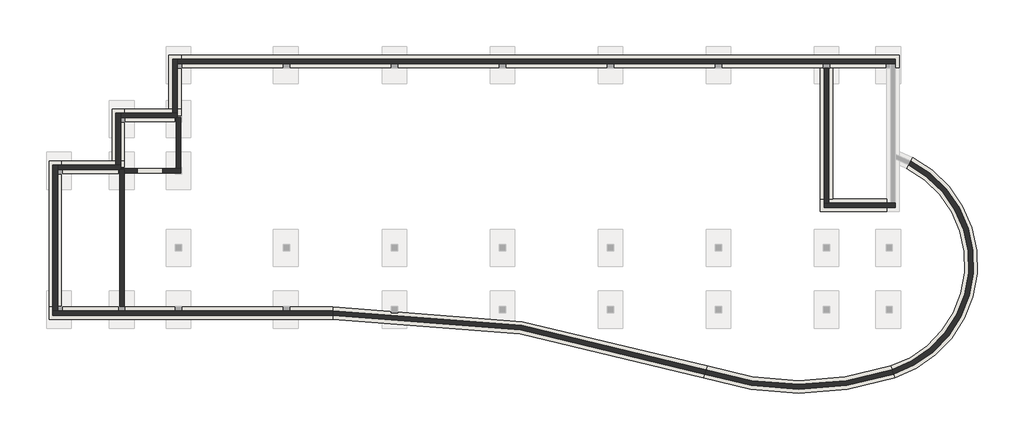
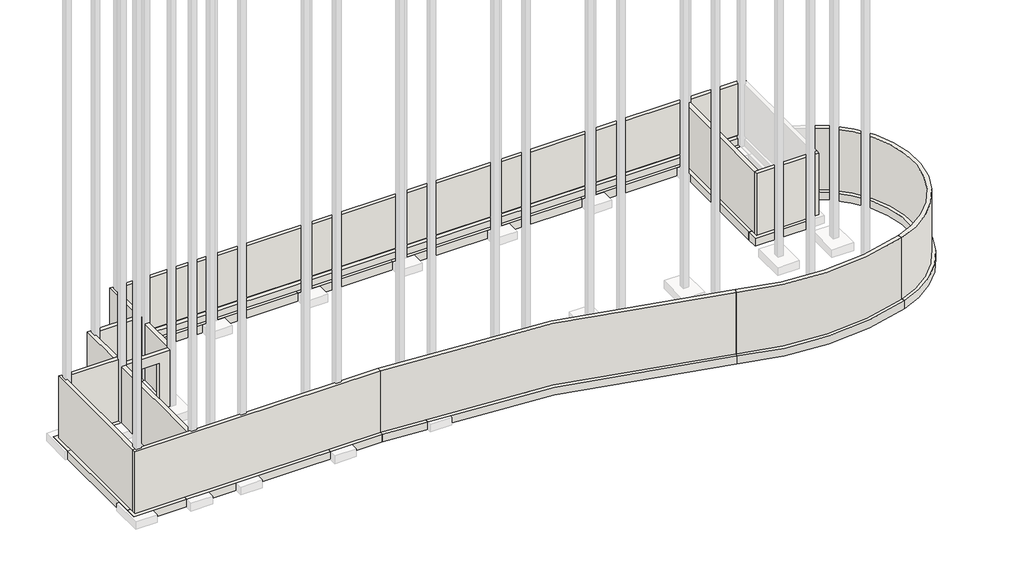
# One storey, part 1 of 2: 27 walls.
"""IFC4 building model written with IfcOpenShell, lengths in millimetres."""

import ifcopenshell
import ifcopenshell.guid

model = None  # the IFC model being written
_history = None  # IfcOwnerHistory: only IFC2X3 demands one
_inside = {}  # id of a spatial element -> (the spatial element, [elements in it])
_under = {}  # id of a project, library or spatial element -> (it, [spatial elements below it])
_declared = {}  # id of a project -> (the project, [libraries it declares])
_typed = {}  # id of a type object -> (the type object, [elements of that type])
_made_of = {}  # id of a material, layer set ... -> (it, [elements and type objects made of it])


def new_model(schema):
    """Start an empty IFC model of exactly this schema.

    Asked for "IFC4X3", IfcOpenShell would pick the latest addendum, in which some entities
    have other attributes; the version numbers below select the first issue.
    IFC2X3 requires an IfcOwnerHistory on every rooted entity: one is made here for all.
    """
    global model, _history
    if schema == "IFC4X3":
        model = ifcopenshell.file(schema_version=(4, 3, 0, 0))
    else:
        model = ifcopenshell.file(schema=schema)
    _inside.clear()
    _under.clear()
    _declared.clear()
    _typed.clear()
    _made_of.clear()
    _history = None
    if model.schema == "IFC2X3":
        org = make("IfcOrganization", Name="unknown")
        user = make(
            "IfcPersonAndOrganization",
            ThePerson=make("IfcPerson", FamilyName="unknown"),
            TheOrganization=org,
        )
        app = make(
            "IfcApplication",
            ApplicationDeveloper=org,
            Version="unknown",
            ApplicationFullName="unknown",
            ApplicationIdentifier="unknown",
        )
        _history = make(
            "IfcOwnerHistory",
            OwningUser=user,
            OwningApplication=app,
            ChangeAction="ADDED",
            CreationDate=0,
        )
    return model


def make(cls, **values):
    """One entity of the class cls with the attributes given. An attribute that is None is left unset."""
    return model.create_entity(
        cls, **{name: value for name, value in values.items() if value is not None}
    )


def rooted(cls, **values):
    """An entity with a GlobalId (a new one), such as an element, a storey or a relation."""
    return make(cls, GlobalId=ifcopenshell.guid.new(), OwnerHistory=_history, **values)


def si_unit(unit_type, name, prefix=None):
    """IfcSIUnit, for example si_unit("LENGTHUNIT", "METRE", prefix="MILLI")."""
    return make("IfcSIUnit", UnitType=unit_type, Prefix=prefix, Name=name)


def assignment(units):
    """IfcUnitAssignment: the units of a project."""
    return None if units is None else make("IfcUnitAssignment", Units=units)


def point(xyz):
    """IfcCartesianPoint."""
    return None if xyz is None else make("IfcCartesianPoint", Coordinates=xyz)


def direction(xyz):
    """IfcDirection."""
    return None if xyz is None else make("IfcDirection", DirectionRatios=xyz)


def frame(location, z_axis=None, x_axis=None):
    """IfcAxis2Placement3D, a coordinate frame: its origin and axes. An axis left out is left unset."""
    return make(
        "IfcAxis2Placement3D",
        Location=point(location),
        Axis=direction(z_axis),
        RefDirection=direction(x_axis),
    )


def frame_2d(location, x_axis=None):
    """IfcAxis2Placement2D, a coordinate frame in the plane: its origin and x axis."""
    return make(
        "IfcAxis2Placement2D", Location=point(location), RefDirection=direction(x_axis)
    )


def origin():
    """The frame at (0, 0, 0) with its axes left unset."""
    return frame((0.0, 0.0, 0.0))


def place(relative_to, where):
    """IfcLocalPlacement: puts the frame where relative to a parent placement (None: the world)."""
    return make(
        "IfcLocalPlacement", PlacementRelTo=relative_to, RelativePlacement=where
    )


def context(
    kind, dimensions, precision=None, world=None, true_north=None, identifier=None
):
    """IfcGeometricRepresentationContext, for example the 3D "Model" context."""
    return make(
        "IfcGeometricRepresentationContext",
        ContextIdentifier=identifier,
        ContextType=kind,
        CoordinateSpaceDimension=dimensions,
        Precision=precision,
        WorldCoordinateSystem=world,
        TrueNorth=true_north,
    )


def project(units=None, contexts=None):
    """IfcProject with its units and contexts."""
    return rooted(
        "IfcProject",
        Name="project",
        RepresentationContexts=contexts,
        UnitsInContext=assignment(units),
    )


def spatial(cls, under=None, at=None, **own):
    """A site, building, storey or space (cls), placed at a placement, below another one or the project."""
    s = rooted(cls, ObjectPlacement=at, **own)
    if under is not None:
        _under.setdefault(under.id(), (under, []))[1].append(s)
    return s


def polyline(points):
    """IfcPolyline through the points."""
    return make("IfcPolyline", Points=[point(p) for p in points])


def circle_curve(where, radius):
    """IfcCircle in the frame where."""
    return make("IfcCircle", Position=where, Radius=radius)


def trimmed(basis, trim1, trim2, sense, master):
    """IfcTrimmedCurve: the piece of a basis curve between two trims."""
    return make(
        "IfcTrimmedCurve",
        BasisCurve=basis,
        Trim1=trim1,
        Trim2=trim2,
        SenseAgreement=sense,
        MasterRepresentation=master,
    )


def segment(curve, same_sense, transition):
    """IfcCompositeCurveSegment."""
    return make(
        "IfcCompositeCurveSegment",
        Transition=transition,
        SameSense=same_sense,
        ParentCurve=curve,
    )


def composite_curve(segments, self_intersect=None):
    """IfcCompositeCurve: segments joined end to end."""
    return make("IfcCompositeCurve", Segments=segments, SelfIntersect=self_intersect)


def outline(outer, holes=None, kind="AREA"):
    """IfcArbitraryClosedProfileDef: a profile drawn as a closed curve; with holes, ...WithVoids."""
    if holes is None:
        return make("IfcArbitraryClosedProfileDef", ProfileType=kind, OuterCurve=outer)
    return make(
        "IfcArbitraryProfileDefWithVoids",
        ProfileType=kind,
        OuterCurve=outer,
        InnerCurves=holes,
    )


def extrude(swept, where, along, depth):
    """IfcExtrudedAreaSolid: the profile swept, set in the frame where, extruded along a direction by depth."""
    return make(
        "IfcExtrudedAreaSolid",
        SweptArea=swept,
        Position=where,
        ExtrudedDirection=direction(along),
        Depth=depth,
    )


def faces_of(points, faces, orient=None, outer=None):
    """IfcFace entities. A face is a list of loops; a loop is a list of indices into points, from 0.

    orient and outer hold one flag for each loop. By default every Orientation is true, the
    first loop of a face is its IfcFaceOuterBound and the others are IfcFaceBound.
    """
    made = []
    for i, loops in enumerate(faces):
        bounds = []
        for j, loop in enumerate(loops):
            is_outer = j == 0 if outer is None else outer[i][j]
            bounds.append(
                make(
                    "IfcFaceOuterBound" if is_outer else "IfcFaceBound",
                    Bound=make("IfcPolyLoop", Polygon=[points[k] for k in loop]),
                    Orientation=True if orient is None else orient[i][j],
                )
            )
        made.append(make("IfcFace", Bounds=bounds))
    return made


def faceted_brep(points, faces, orient=None, outer=None, voids=None):
    """IfcFacetedBrep: a solid bounded by flat faces; with voids (closed shells), ...WithVoids."""
    shared = [point(p) for p in points]
    hull = make("IfcClosedShell", CfsFaces=faces_of(shared, faces, orient, outer))
    if voids is None:
        return make("IfcFacetedBrep", Outer=hull)
    return make(
        "IfcFacetedBrepWithVoids",
        Outer=hull,
        Voids=[
            make(cls, CfsFaces=faces_of(shared, fs, o, b)) for cls, fs, o, b in voids
        ],
    )


def shape(context_of_items, identifier, shape_type, items):
    """IfcShapeRepresentation: the items that make up one representation, for example the "Body"."""
    return make(
        "IfcShapeRepresentation",
        ContextOfItems=context_of_items,
        RepresentationIdentifier=identifier,
        RepresentationType=shape_type,
        Items=items,
    )


def made_of(thing, what):
    """Note that an element or type object is made of a material, layer set ...; save() writes the relation."""
    if what is not None:
        _made_of.setdefault(what.id(), (what, []))[1].append(thing)
    return thing


def element(
    cls,
    number,
    at=None,
    inside=None,
    cuts=None,
    type_object=None,
    material=None,
    context=None,
    identifier="Body",
    shape_type=None,
    held_by="IfcProductDefinitionShape",
    body=None,
    shapes=None,
    **own,
):
    """One element of the class cls, such as IfcWall. Its Tag is "e" and its number.

    at: its placement. inside: the storey or other place that contains it. cuts: it is an
    opening in that element (IfcRelVoidsElement). A single representation is given by context,
    identifier, shape_type and body (its items); several are given by shapes. held_by: the class
    of the entity that holds the representations. save() writes the other relations.
    """
    e = rooted(cls, Tag="e%d" % number, ObjectPlacement=at, **own)
    if body is not None:
        shapes = [shape(context, identifier, shape_type, body)]
    if shapes is not None:
        e.Representation = make(held_by, Representations=shapes)
    if inside is not None:
        _inside.setdefault(inside.id(), (inside, []))[1].append(e)
    if cuts is not None:
        rooted(
            "IfcRelVoidsElement", RelatingBuildingElement=cuts, RelatedOpeningElement=e
        )
    if type_object is not None:
        _typed.setdefault(type_object.id(), (type_object, []))[1].append(e)
    return made_of(e, material)


def aggregate(whole, parts):
    """IfcRelAggregates: a whole, such as a stair, and the parts it consists of."""
    return rooted("IfcRelAggregates", RelatingObject=whole, RelatedObjects=parts)


def save(model, path):
    """Write the relations noted so far, then the file.

    IfcRelAggregates (storeys below a building ...), IfcRelContainedInSpatialStructure (elements
    in a storey), IfcRelDefinesByType, IfcRelAssociatesMaterial and IfcRelDeclares: one each for
    every whole, place, type object, material and project.
    """
    for whole, parts in _under.values():
        aggregate(whole, parts)
    for where, things in _inside.values():
        rooted(
            "IfcRelContainedInSpatialStructure",
            RelatedElements=things,
            RelatingStructure=where,
        )
    for kind, things in _typed.values():
        rooted("IfcRelDefinesByType", RelatedObjects=things, RelatingType=kind)
    for what, things in _made_of.values():
        rooted("IfcRelAssociatesMaterial", RelatedObjects=things, RelatingMaterial=what)
    for by, libraries in _declared.values():
        rooted("IfcRelDeclares", RelatingContext=by, RelatedDefinitions=libraries)
    model.write(path)


def plane_surface(at):
    """IfcPlane: the flat surface through the origin of the frame at, square to its z axis."""
    return make("IfcPlane", Position=at)


def cylinder_surface(at, radius):
    """IfcCylindricalSurface: all points at the distance radius from the z axis of the frame at."""
    return make("IfcCylindricalSurface", Position=at, Radius=radius)


def revolved_surface(curve, axis_point, axis_direction):
    """IfcSurfaceOfRevolution: the curve turned about the line through axis_point along axis_direction."""
    return make(
        "IfcSurfaceOfRevolution",
        SweptCurve=make("IfcArbitraryOpenProfileDef", ProfileType="CURVE", Curve=curve),
        AxisPosition=make("IfcAxis1Placement", Location=point(axis_point), Axis=direction(axis_direction)),
    )


def advanced_brep(points, edges, surfaces, faces):
    """IfcAdvancedBrep: a solid bounded by faces that lie on surfaces and meet in shared edges.

    An edge is (start, end): straight between two places in points (the first is 0);
    or (start, end, curve); or (start, end, curve, False) where it runs against its curve.
    A face is (place in surfaces, loops), or (place, loops, False) where it looks against
    its surface's normal. A loop lists edges by number (the first is 1), with a minus sign
    where the edge is run from its end to its start. The first loop is the outer one.
    """
    corners = [point(p) for p in points]
    vertices = [make("IfcVertexPoint", VertexGeometry=c) for c in corners]
    made = []
    for start, end, *more in edges:
        made.append(
            make(
                "IfcEdgeCurve",
                EdgeStart=vertices[start],
                EdgeEnd=vertices[end],
                EdgeGeometry=more[0] if more else make("IfcPolyline", Points=[corners[start], corners[end]]),
                SameSense=more[1] if len(more) > 1 else True,
            )
        )
    hull = []
    for where, loops, *sense in faces:
        bounds = []
        for j, loop in enumerate(loops):
            ring = [make("IfcOrientedEdge", EdgeElement=made[abs(k) - 1], Orientation=k > 0) for k in loop]
            bounds.append(
                make(
                    "IfcFaceOuterBound" if j == 0 else "IfcFaceBound",
                    Bound=make("IfcEdgeLoop", EdgeList=ring),
                    Orientation=True,
                )
            )
        hull.append(make("IfcAdvancedFace", Bounds=bounds, FaceSurface=surfaces[where], SameSense=sense[0] if sense else True))
    return make("IfcAdvancedBrep", Outer=make("IfcClosedShell", CfsFaces=hull))


model = new_model("IFC4")

# Units and contexts
model_context = context("Model", 3, world=origin())
ifc_project = project(units=[si_unit("LENGTHUNIT", "METRE", prefix="MILLI")], contexts=[model_context])

# Site, building, storey
site = spatial("IfcSite", under=ifc_project)
building = spatial("IfcBuilding", under=site)
storey = spatial("IfcBuildingStorey", under=building, Elevation=-3600.0)

# Walls
placement = place(None, origin())
element("IfcWall", 1, ObjectType="Foundation - 600mm Concrete", at=placement, inside=storey, context=model_context, shape_type="SweptSolid", body=[
    extrude(outline(composite_curve([segment(polyline([(17869.7687161, -6013.1846096), (17683.7577718, -5442.7458938)]), True, "CONTINUOUS"), segment(trimmed(circle_curve(frame_2d((16074.0395802, -487.5293406)), 5210.1212794), [point((17683.7577718, -5442.7458938))], [point((18465.7812889, 4141.1783997))], True, "CARTESIAN"), True, "CONTINUOUS"), segment(polyline([(18465.7812889, 4141.1783997), (18741.2153811, 4674.222545)]), True, "CONTINUOUS"), segment(trimmed(circle_curve(frame_2d((16074.0395802, -487.5293406)), 5810.1212794), [point((18741.2153811, 4674.222545))], [point((17869.7687161, -6013.1846096))], False, "CARTESIAN"), True, "CONTINUOUS")], self_intersect=False)), frame((0.0, 0.0, -4050.0), z_axis=(0.0, 0.0, 1.0), x_axis=(1.0, 0.0, 0.0)), (0.0, 0.0, 1.0), 450.0),
])
element("IfcWall", 2, ObjectType="Foundation - 600mm Concrete", at=placement, inside=storey, context=model_context, shape_type="SweptSolid", body=[
    extrude(outline(composite_curve([segment(polyline([(8601.367366, -6013.0871543), (8787.9790274, -5442.8450235)]), True, "CONTINUOUS"), segment(trimmed(circle_curve(frame_2d((13235.7169466, 8148.4146527)), 14300.5144027), [point((8787.9790274, -5442.8450235))], [point((17683.7577718, -5442.7458938))], True, "CARTESIAN"), True, "CONTINUOUS"), segment(polyline([(17683.7577718, -5442.7458938), (17869.7687161, -6013.1846096)]), True, "CONTINUOUS"), segment(trimmed(circle_curve(frame_2d((13235.7169466, 8148.4146527)), 14900.5144027), [point((17869.7687161, -6013.1846096))], [point((8601.367366, -6013.0871543))], False, "CARTESIAN"), True, "CONTINUOUS")], self_intersect=False)), frame((0.0, 0.0, -4050.0), z_axis=(0.0, 0.0, 1.0), x_axis=(1.0, 0.0, 0.0)), (0.0, 0.0, 1.0), 450.0),
])
element("IfcWall", 3, ObjectType="Foundation - 600mm Concrete", at=placement, inside=storey, context=model_context, shape_type="SweptSolid", body=[
    extrude(outline(composite_curve([segment(polyline([(-9356.7482974, -3179.7925922), (-9357.3682514, -2579.7925922)]), True, "CONTINUOUS"), segment(trimmed(circle_curve(frame_2d((-9237.4655397, -60751.8621473)), 58172.193125), [point((-9357.3682514, -2579.7925922))], [point((8787.630476, -5442.7311958))], False, "CARTESIAN"), True, "CONTINUOUS"), segment(polyline([(8787.630476, -5442.7311958), (8601.7159173, -6013.200982)]), True, "CONTINUOUS"), segment(trimmed(circle_curve(frame_2d((-9237.4655397, -60751.8621473)), 57572.193125), [point((8601.7159173, -6013.200982))], [point((-9356.7482974, -3179.7925922))], True, "CARTESIAN"), True, "CONTINUOUS")], self_intersect=False)), frame((0.0, 0.0, -4050.0), z_axis=(0.0, 0.0, 1.0), x_axis=(1.0, 0.0, 0.0)), (0.0, 0.0, 1.0), 450.0),
])
element("IfcWall", 4, ObjectType="Foundation - 600mm Concrete", at=placement, inside=storey, context=model_context, shape_type="Brep", body=[
    faceted_brep([(-9357.3682514, -2579.7925922, -4050.0), (-22494.6169643, -2579.7925922, -4050.0), (-23094.6169643, -2579.7925922, -4050.0), (-23094.6169643, -2579.7925922, -3600.0), (-22494.6169643, -2579.7925922, -3600.0), (-9357.3682514, -2579.7925922, -3600.0), (-9356.7482974, -3179.7925922, -4050.0), (-9356.7482974, -3179.7925922, -3600.0), (-23094.6169643, -3179.7925922, -3600.0), (-23094.6169643, -3179.7925922, -4050.0)], [[[0, 1, 2, 3, 4, 5]], [[6, 7, 8, 9]], [[2, 1, 0, 6, 9]], [[5, 4, 3, 8, 7]], [[3, 2, 9, 8]], [[0, 5, 7, 6]]]),
])
element("IfcWall", 5, ObjectType="Foundation - 600mm Concrete", at=placement, inside=storey, context=model_context, shape_type="Brep", body=[
    faceted_brep([(-22494.6169643, -2579.7925922, -4050.0), (-22494.6169643, 3903.6324078, -4050.0), (-22494.6169643, 4503.6324078, -4050.0), (-22494.6169643, 4503.6324078, -3600.0), (-22494.6169643, 3903.6324078, -3600.0), (-22494.6169643, -2579.7925922, -3600.0), (-23094.6169643, -2579.7925922, -4050.0), (-23094.6169643, -2579.7925922, -3600.0), (-23094.6169643, 4503.6324078, -3600.0), (-23094.6169643, 4503.6324078, -4050.0)], [[[0, 1, 2, 3, 4, 5]], [[6, 7, 8, 9]], [[2, 1, 0, 6, 9]], [[5, 4, 3, 8, 7]], [[3, 2, 9, 8]], [[0, 5, 7, 6]]]),
])
element("IfcWall", 6, ObjectType="Foundation - 600mm Concrete", at=placement, inside=storey, context=model_context, shape_type="Brep", body=[
    faceted_brep([(-22494.6169643, 3903.6324078, -4050.0), (-19446.6169643, 3903.6324078, -4050.0), (-19446.6169643, 3903.6324078, -3600.0), (-22494.6169643, 3903.6324078, -3600.0), (-22494.6169643, 4503.6324078, -4050.0), (-22494.6169643, 4503.6324078, -3600.0), (-20046.6169643, 4503.6324078, -3600.0), (-19446.6169643, 4503.6324078, -3600.0), (-19446.6169643, 4503.6324078, -4050.0), (-20046.6169643, 4503.6324078, -4050.0)], [[[0, 1, 2, 3]], [[4, 5, 6, 7, 8, 9]], [[1, 0, 4, 9, 8]], [[3, 2, 7, 6, 5]], [[2, 1, 8, 7]], [[0, 3, 5, 4]]]),
])
element("IfcWall", 7, ObjectType="Foundation - 600mm Concrete", at=placement, inside=storey, context=model_context, shape_type="Brep", body=[
    faceted_brep([(-19446.6169643, 4503.6324078, -4050.0), (-19446.6169643, 6418.2324078, -4050.0), (-19446.6169643, 7018.2324078, -4050.0), (-19446.6169643, 7018.2324078, -3600.0), (-19446.6169643, 6418.2324078, -3600.0), (-19446.6169643, 4503.6324078, -3600.0), (-20046.6169643, 4503.6324078, -4050.0), (-20046.6169643, 4503.6324078, -3600.0), (-20046.6169643, 7018.2324078, -3600.0), (-20046.6169643, 7018.2324078, -4050.0)], [[[0, 1, 2, 3, 4, 5]], [[6, 7, 8, 9]], [[2, 1, 0, 6, 9]], [[5, 4, 3, 8, 7]], [[3, 2, 9, 8]], [[0, 5, 7, 6]]]),
])
element("IfcWall", 8, ObjectType="Foundation - 600mm Concrete", at=placement, inside=storey, context=model_context, shape_type="Brep", body=[
    faceted_brep([(-19446.6169643, 6418.2324078, -4050.0), (-16703.4169643, 6418.2324078, -4050.0), (-16703.4169643, 6418.2324078, -3600.0), (-19446.6169643, 6418.2324078, -3600.0), (-19446.6169643, 7018.2324078, -4050.0), (-19446.6169643, 7018.2324078, -3600.0), (-17303.4169643, 7018.2324078, -3600.0), (-16703.4169643, 7018.2324078, -3600.0), (-16703.4169643, 7018.2324078, -4050.0), (-17303.4169643, 7018.2324078, -4050.0)], [[[0, 1, 2, 3]], [[4, 5, 6, 7, 8, 9]], [[1, 0, 4, 9, 8]], [[3, 2, 7, 6, 5]], [[2, 1, 8, 7]], [[0, 3, 5, 4]]]),
])
element("IfcWall", 9, ObjectType="Foundation - 600mm Concrete", at=placement, inside=storey, context=model_context, shape_type="Brep", body=[
    faceted_brep([(-16703.4169643, 7018.2324078, -4050.0), (-16703.4169643, 9034.4324078, -4050.0), (-16703.4169643, 9634.4324078, -4050.0), (-16703.4169643, 9634.4324078, -3600.0), (-16703.4169643, 9034.4324078, -3600.0), (-16703.4169643, 7018.2324078, -3600.0), (-17303.4169643, 7018.2324078, -4050.0), (-17303.4169643, 7018.2324078, -3600.0), (-17303.4169643, 9634.4324078, -3600.0), (-17303.4169643, 9634.4324078, -4050.0)], [[[0, 1, 2, 3, 4, 5]], [[6, 7, 8, 9]], [[2, 1, 0, 6, 9]], [[5, 4, 3, 8, 7]], [[3, 2, 9, 8]], [[0, 5, 7, 6]]]),
])
element("IfcWall", 10, ObjectType="Foundation - 600mm Concrete", at=placement, inside=storey, context=model_context, shape_type="Brep", body=[
    faceted_brep([(-16703.4169643, 9034.4324078, -4050.0), (17489.4606966, 9034.4324078, -4050.0), (18089.4606966, 9034.4324078, -4050.0), (18089.4606966, 9034.4324078, -3600.0), (17489.4606966, 9034.4324078, -3600.0), (-16703.4169643, 9034.4324078, -3600.0), (-16703.4169643, 9634.4324078, -4050.0), (-16703.4169643, 9634.4324078, -3600.0), (18089.4606966, 9634.4324078, -3600.0), (18089.4606966, 9634.4324078, -4050.0)], [[[0, 1, 2, 3, 4, 5]], [[6, 7, 8, 9]], [[2, 1, 0, 6, 9]], [[5, 4, 3, 8, 7]], [[3, 2, 9, 8]], [[0, 5, 7, 6]]]),
])
element("IfcWall", 11, ObjectType="Foundation - 600mm Concrete", at=placement, inside=storey, context=model_context, shape_type="Brep", body=[
    faceted_brep([(17489.4606966, 2662.1324078, -4050.0), (14867.1955357, 2662.1324078, -4050.0), (14267.1955357, 2662.1324078, -4050.0), (14267.1955357, 2662.1324078, -3600.0), (14867.1955357, 2662.1324078, -3600.0), (17489.4606966, 2662.1324078, -3600.0), (17489.4606966, 2062.1324078, -4050.0), (17489.4606966, 2062.1324078, -3600.0), (14267.1955357, 2062.1324078, -3600.0), (14267.1955357, 2062.1324078, -4050.0)], [[[0, 1, 2, 3, 4, 5]], [[6, 7, 8, 9]], [[2, 1, 0, 6, 9]], [[5, 4, 3, 8, 7]], [[3, 2, 9, 8]], [[0, 5, 7, 6]]]),
])
element("IfcWall", 12, ObjectType="Foundation - 600mm Concrete", at=placement, inside=storey, context=model_context, shape_type="SweptSolid", body=[
    extrude(outline(polyline([(14867.1955357, 9008.2199078), (14867.1955357, 2662.1324078), (14267.1955357, 2662.1324078), (14267.1955357, 9008.2199078), (14867.1955357, 9008.2199078)])), frame((0.0, 0.0, -4050.0), z_axis=(0.0, 0.0, 1.0), x_axis=(1.0, 0.0, 0.0)), (0.0, 0.0, 1.0), 450.0),
])
element("IfcWall", 13, ObjectType="Generic - 225mm Masonry", at=placement, inside=storey, context=model_context, shape_type="Brep", body=[
    faceted_brep([(-19457.9044643, -2553.5800922, -3600.0), (-19457.9044643, 3914.9199078, -3600.0), (-19457.9044643, 4091.1324078, -3600.0), (-19457.9044643, 4091.1324078, -300.0), (-19457.9044643, 3914.9199078, -300.0), (-19457.9044643, -2553.5800922, -300.0), (-19457.9044643, -2553.5800922, -2994.0), (-19457.9044643, 156.7351251, -2994.0), (-19457.9044643, 156.7351251, -3000.0), (-19457.9044643, -2553.5800922, -3000.0), (-19682.9044643, 4091.1324078, -3600.0), (-19682.9044643, -2553.5800922, -3600.0), (-19682.9044643, -2553.5800922, -3000.0), (-19682.9044643, 156.7351251, -3000.0), (-19682.9044643, 156.7351251, -2994.0), (-19682.9044643, -2553.5800922, -2994.0), (-19682.9044643, -2553.5800922, -300.0), (-19682.9044643, 4091.1324078, -300.0), (-19634.1169643, 4091.1324078, -3600.0), (-19634.1169643, 4091.1324078, -300.0)], [[[0, 1, 2, 3, 4, 5, 6, 7, 8, 9]], [[10, 11, 12, 13, 14, 15, 16, 17]], [[2, 1, 0, 11, 10, 18]], [[5, 4, 3, 19, 17, 16]], [[5, 16, 15, 6]], [[11, 0, 9, 12]], [[3, 2, 18, 10, 17, 19]], [[8, 13, 12, 9]], [[14, 7, 6, 15]], [[13, 8, 7, 14]]]),
])
element("IfcWall", 14, ObjectType="Generic - 225mm Masonry", at=placement, inside=storey, context=model_context, shape_type="Brep", body=[
    faceted_brep([(-19457.9044643, 3914.9199078, -3600.0), (-16714.7044643, 3914.9199078, -3600.0), (-16714.7044643, 3914.9199078, -300.0), (-19457.9044643, 3914.9199078, -300.0), (-17582.4544643, 3914.9199078, -3000.0), (-18815.1544643, 3914.9199078, -3000.0), (-18815.1544643, 3914.9199078, -874.6), (-17582.4544643, 3914.9199078, -874.6), (-19634.1169643, 4139.9199078, -3600.0), (-19634.1169643, 4139.9199078, -300.0), (-16939.7044643, 4139.9199078, -300.0), (-16714.7044643, 4139.9199078, -300.0), (-16714.7044643, 4139.9199078, -3600.0), (-16939.7044643, 4139.9199078, -3600.0), (-17582.4544643, 4139.9199078, -3000.0), (-17582.4544643, 4139.9199078, -874.6), (-18815.1544643, 4139.9199078, -874.6), (-18815.1544643, 4139.9199078, -3000.0), (-19457.9044643, 4091.1324078, -3600.0), (-19634.1169643, 4091.1324078, -3600.0), (-19634.1169643, 4091.1324078, -300.0), (-19457.9044643, 4091.1324078, -300.0)], [[[0, 1, 2, 3], [4, 5, 6, 7]], [[8, 9, 10, 11, 12, 13], [14, 15, 16, 17]], [[1, 0, 18, 19, 8, 13, 12]], [[3, 2, 11, 10, 9, 20, 21]], [[2, 1, 12, 11]], [[0, 3, 21, 18]], [[21, 20, 19, 18]], [[20, 9, 8, 19]], [[15, 14, 4, 7]], [[16, 15, 7, 6]], [[17, 16, 6, 5]], [[14, 17, 5, 4]]]),
])
element("IfcWall", 15, ObjectType="Generic - 225mm Masonry", at=placement, inside=storey, context=model_context, shape_type="Brep", body=[
    faceted_brep([(-16714.7044643, 4139.9199078, -3600.0), (-16714.7044643, 6605.7324078, -3600.0), (-16714.7044643, 6605.7324078, -300.0), (-16714.7044643, 4139.9199078, -300.0), (-16939.7044643, 4139.9199078, -3600.0), (-16939.7044643, 4139.9199078, -300.0), (-16939.7044643, 6605.7324078, -300.0), (-16939.7044643, 6605.7324078, -3600.0), (-16890.9169643, 6605.7324078, -3600.0)], [[[0, 1, 2, 3]], [[4, 5, 6, 7]], [[1, 0, 4, 7, 8]], [[3, 2, 6, 5]], [[0, 3, 5, 4]], [[2, 1, 8, 7, 6]]]),
])
element("IfcWall", 16, ObjectType="Generic - 225mm Masonry", at=placement, inside=storey, context=model_context, shape_type="Brep", body=[
    faceted_brep([(14454.6955357, 2249.6324078, -3600.0), (17901.9606966, 2249.6324078, -3600.0), (17901.9606966, 2249.6324078, 0.0), (14454.6955357, 2249.6324078, 0.0), (14454.6955357, 2474.6324078, -3600.0), (14454.6955357, 2474.6324078, 0.0), (14679.6955357, 2474.6324078, 0.0), (17676.9606966, 2474.6324078, 0.0), (17901.9606966, 2474.6324078, 0.0), (17901.9606966, 2474.6324078, -2994.0), (17901.9606966, 2474.6324078, -3225.0), (17901.9606966, 2474.6324078, -3600.0), (17676.9606966, 2474.6324078, -3600.0), (14679.6955357, 2474.6324078, -3600.0)], [[[0, 1, 2, 3]], [[4, 5, 6, 7, 8, 9, 10, 11, 12, 13]], [[1, 0, 4, 13, 12, 11]], [[3, 2, 8, 7, 6, 5]], [[0, 3, 5, 4]], [[2, 1, 11, 10, 9, 8]]]),
])
element("IfcWall", 17, ObjectType="Generic - 225mm Masonry", at=placement, inside=storey, context=model_context, shape_type="Brep", body=[
    faceted_brep([(14454.6955357, 9008.2199078, -3600.0), (14454.6955357, 2474.6324078, -3600.0), (14454.6955357, 2474.6324078, 0.0), (14454.6955357, 9008.2199078, 0.0), (14679.6955357, 2474.6324078, -3600.0), (14679.6955357, 9008.2199078, -3600.0), (14679.6955357, 9008.2199078, -3000.0), (14679.6955357, 9008.2199078, -2994.0), (14679.6955357, 9008.2199078, 0.0), (14679.6955357, 2474.6324078, 0.0), (14679.6955357, 2474.6324078, -2994.0), (14679.6955357, 2474.6324078, -3000.0)], [[[0, 1, 2, 3]], [[4, 5, 6, 7, 8, 9, 10, 11]], [[1, 0, 5, 4]], [[3, 2, 9, 8]], [[0, 3, 8, 7, 6, 5]], [[2, 1, 4, 11, 10, 9]]]),
])
element("IfcWall", 18, ObjectType="Generic - 225mm Masonry", at=placement, inside=storey, context=model_context, shape_type="Brep", body=[
    faceted_brep([(-9357.1748607, -2767.2925922, -3600.0), (-22682.1169643, -2767.2925922, -3600.0), (-22907.1169643, -2767.2925922, -3600.0), (-22907.1169643, -2767.2925922, 0.0), (-22682.1169643, -2767.2925922, 0.0), (-9357.1748607, -2767.2925922, 0.0), (-9357.1748607, -2767.2925922, -2994.0), (-9357.1748607, -2767.2925922, -3000.0), (-9357.1748607, -2767.2925922, -3225.0), (-22907.1169643, -2992.2925922, -3600.0), (-9356.9423786, -2992.2925922, -3600.0), (-9356.9423786, -2992.2925922, 0.0), (-22907.1169643, -2992.2925922, 0.0)], [[[0, 1, 2, 3, 4, 5, 6, 7, 8]], [[9, 10, 11, 12]], [[2, 1, 0, 10, 9]], [[5, 4, 3, 12, 11]], [[5, 11, 10, 0, 8, 7, 6]], [[2, 9, 12, 3]]]),
])
element("IfcWall", 19, ObjectType="Generic - 225mm Masonry", at=placement, inside=storey, context=model_context, shape_type="Brep", body=[
    faceted_brep([(-22682.1169643, -2767.2925922, -3600.0), (-22682.1169643, 4091.1324078, -3600.0), (-22682.1169643, 4316.1324078, -3600.0), (-22682.1169643, 4316.1324078, 0.0), (-22682.1169643, 4091.1324078, 0.0), (-22682.1169643, -2767.2925922, 0.0), (-22682.1169643, -2767.2925922, -2994.0), (-22682.1169643, -2767.2925922, -3000.0), (-22682.1169643, -2767.2925922, -3225.0), (-22907.1169643, -2767.2925922, -3600.0), (-22907.1169643, -2767.2925922, 0.0), (-22907.1169643, 4316.1324078, 0.0), (-22907.1169643, 4316.1324078, -3600.0)], [[[0, 1, 2, 3, 4, 5, 6, 7, 8]], [[9, 10, 11, 12]], [[2, 1, 0, 9, 12]], [[5, 4, 3, 11, 10]], [[3, 2, 12, 11]], [[0, 8, 7, 6, 5, 10, 9]]]),
])
element("IfcWall", 20, ObjectType="Generic - 225mm Masonry", at=placement, inside=storey, context=model_context, shape_type="Brep", body=[
    faceted_brep([(-22682.1169643, 4091.1324078, -3600.0), (-19682.9044643, 4091.1324078, -3600.0), (-19634.1169643, 4091.1324078, -3600.0), (-19634.1169643, 4091.1324078, -3225.0), (-19634.1169643, 4091.1324078, -3000.0), (-19634.1169643, 4091.1324078, -300.0), (-19634.1169643, 4091.1324078, 0.0), (-22682.1169643, 4091.1324078, 0.0), (-22682.1169643, 4091.1324078, -3000.0), (-22682.1169643, 4091.1324078, -3225.0), (-19634.1169643, 4316.1324078, -3600.0), (-19859.1169643, 4316.1324078, -3600.0), (-22682.1169643, 4316.1324078, -3600.0), (-22682.1169643, 4316.1324078, 0.0), (-19859.1169643, 4316.1324078, 0.0), (-19634.1169643, 4316.1324078, 0.0), (-19634.1169643, 4316.1324078, -3000.0), (-19634.1169643, 4316.1324078, -3225.0), (-19634.1169643, 4139.9199078, -3600.0)], [[[0, 1, 2, 3, 4, 5, 6, 7, 8, 9]], [[10, 11, 12, 13, 14, 15, 16, 17]], [[2, 1, 0, 12, 11, 10, 18]], [[7, 6, 15, 14, 13]], [[2, 18, 10, 17, 16, 15, 6, 5, 4, 3]], [[12, 0, 9, 8, 7, 13]]]),
])
element("IfcWall", 21, ObjectType="Generic - 225mm Masonry", at=placement, inside=storey, context=model_context, shape_type="Brep", body=[
    faceted_brep([(-19634.1169643, 4316.1324078, -3600.0), (-19634.1169643, 6605.7324078, -3600.0), (-19634.1169643, 6830.7324078, -3600.0), (-19634.1169643, 6830.7324078, 0.0), (-19634.1169643, 6605.7324078, 0.0), (-19634.1169643, 4316.1324078, 0.0), (-19634.1169643, 4316.1324078, -3000.0), (-19634.1169643, 4316.1324078, -3225.0), (-19859.1169643, 6830.7324078, -3600.0), (-19859.1169643, 4316.1324078, -3600.0), (-19859.1169643, 4316.1324078, 0.0), (-19859.1169643, 6830.7324078, 0.0)], [[[0, 1, 2, 3, 4, 5, 6, 7]], [[8, 9, 10, 11]], [[2, 1, 0, 9, 8]], [[5, 4, 3, 11, 10]], [[5, 10, 9, 0, 7, 6]], [[2, 8, 11, 3]]]),
])
element("IfcWall", 22, ObjectType="Generic - 225mm Masonry", at=placement, inside=storey, context=model_context, shape_type="Brep", body=[
    faceted_brep([(-19634.1169643, 6605.7324078, -3600.0), (-16939.7044643, 6605.7324078, -3600.0), (-16890.9169643, 6605.7324078, -3600.0), (-16890.9169643, 6605.7324078, -3225.0), (-16890.9169643, 6605.7324078, -3000.0), (-16890.9169643, 6605.7324078, 0.0), (-19634.1169643, 6605.7324078, 0.0), (-19634.1169643, 6605.7324078, -3000.0), (-19634.1169643, 6605.7324078, -3225.0), (-16890.9169643, 6830.7324078, -3600.0), (-17115.9169643, 6830.7324078, -3600.0), (-19634.1169643, 6830.7324078, -3600.0), (-19634.1169643, 6830.7324078, 0.0), (-17115.9169643, 6830.7324078, 0.0), (-16890.9169643, 6830.7324078, 0.0), (-16890.9169643, 6830.7324078, -3000.0), (-16890.9169643, 6830.7324078, -3225.0)], [[[0, 1, 2, 3, 4, 5, 6, 7, 8]], [[9, 10, 11, 12, 13, 14, 15, 16]], [[2, 1, 0, 11, 10, 9]], [[6, 5, 14, 13, 12]], [[2, 9, 16, 15, 14, 5, 4, 3]], [[11, 0, 8, 7, 6, 12]]]),
])
element("IfcWall", 23, ObjectType="Generic - 225mm Masonry", at=placement, inside=storey, context=model_context, shape_type="Brep", body=[
    faceted_brep([(-16890.9169643, 6830.7324078, -3600.0), (-16890.9169643, 9221.9324078, -3600.0), (-16890.9169643, 9446.9324078, -3600.0), (-16890.9169643, 9446.9324078, -3225.0), (-16890.9169643, 9446.9324078, -3000.0), (-16890.9169643, 9446.9324078, 0.0), (-16890.9169643, 9221.9324078, 0.0), (-16890.9169643, 6830.7324078, 0.0), (-16890.9169643, 6830.7324078, -3000.0), (-16890.9169643, 6830.7324078, -3225.0), (-17115.9169643, 9446.9324078, -3600.0), (-17115.9169643, 6830.7324078, -3600.0), (-17115.9169643, 6830.7324078, 0.0), (-17115.9169643, 9446.9324078, 0.0)], [[[0, 1, 2, 3, 4, 5, 6, 7, 8, 9]], [[10, 11, 12, 13]], [[2, 1, 0, 11, 10]], [[7, 6, 5, 13, 12]], [[7, 12, 11, 0, 9, 8]], [[2, 10, 13, 5, 4, 3]]]),
])
element("IfcWall", 24, ObjectType="Generic - 225mm Masonry", at=placement, inside=storey, context=model_context, shape_type="Brep", body=[
    faceted_brep([(-16890.9169643, 9221.9324078, -3600.0), (17676.9606966, 9221.9324078, -3600.0), (17901.9606966, 9221.9324078, -3600.0), (17901.9606966, 9221.9324078, -3225.0), (17676.9606966, 9221.9324078, -3225.0), (-16890.9169643, 9221.9324078, -3225.0), (17901.9606966, 9446.9324078, -3600.0), (-16890.9169643, 9446.9324078, -3600.0), (-16890.9169643, 9446.9324078, -3225.0), (17901.9606966, 9446.9324078, -3225.0)], [[[0, 1, 2, 3, 4, 5]], [[6, 7, 8, 9]], [[2, 1, 0, 7, 6]], [[5, 4, 3, 9, 8]], [[7, 0, 5, 8]], [[2, 6, 9, 3]]]),
    faceted_brep([(17901.9606966, 9221.9324078, 0.0), (17676.9606966, 9221.9324078, 0.0), (-16890.9169643, 9221.9324078, 0.0), (-16890.9169643, 9221.9324078, -3000.0), (14679.6955357, 9221.9324078, -3000.0), (17676.9606966, 9221.9324078, -3000.0), (17901.9606966, 9221.9324078, -3000.0), (-16890.9169643, 9446.9324078, 0.0), (17901.9606966, 9446.9324078, 0.0), (17901.9606966, 9446.9324078, -3000.0), (-16890.9169643, 9446.9324078, -3000.0)], [[[0, 1, 2, 3, 4, 5, 6]], [[7, 8, 9, 10]], [[2, 1, 0, 8, 7]], [[6, 5, 4, 3, 10, 9]], [[2, 7, 10, 3]], [[8, 0, 6, 9]]]),
])
element("IfcWall", 25, ObjectType="Generic - 225mm Masonry", at=placement, inside=storey, context=model_context, shape_type="AdvancedBrep", body=[
    advanced_brep(
    [(-9356.9423786, -2992.2925922, 0.0), (8659.8142169, -5834.9291738, 0.0), (8729.5321764, -5621.003004, 0.0), (-9357.1748607, -2767.2925922, 0.0), (8659.8142169, -5834.9291738, -3600.0), (-9356.9423786, -2992.2925922, -3600.0), (-9357.1748607, -2767.2925922, -3600.0), (8729.5321764, -5621.003004, -3600.0), (8729.5321764, -5621.003004, -3225.0), (8729.5321764, -5621.003004, -3000.0), (-9357.1748607, -2767.2925922, -3225.0), (-9357.1748607, -2767.2925922, -3000.0)],
    [
        (0, 1, circle_curve(frame((-9237.4655397, -60751.8621473, 0.0), z_axis=(0.0, 0.0, -1.0), x_axis=(0.30985759771634463, 0.9507829768866584, 0.0)), 57759.693125)),
        (1, 2),
        (2, 3, circle_curve(frame((-9237.4655397, -60751.8621473, 0.0), z_axis=(0.0, 0.0, 1.0), x_axis=(0.30985759771634463, 0.9507829768866584, 0.0)), 57984.693125)),
        (3, 0),
        (4, 5, circle_curve(frame((-9237.4655397, -60751.8621473, -3600.0), z_axis=(0.0, 0.0, 1.0), x_axis=(0.30985759771634463, 0.9507829768866584, 0.0)), 57759.693125)),
        (5, 6),
        (6, 7, circle_curve(frame((-9237.4655397, -60751.8621473, -3600.0), z_axis=(0.0, 0.0, -1.0), x_axis=(0.30985759771634463, 0.9507829768866584, 0.0)), 57984.693125)),
        (7, 4),
        (0, 5),
        (4, 1),
        (7, 8),
        (8, 9),
        (9, 2),
        (6, 10),
        (10, 11),
        (11, 3),
    ],
    [
        plane_surface(frame((8659.8142169, -5834.9291738, 0.0), z_axis=(0.0, 0.0, 1.0), x_axis=(0.9507829768866584, -0.30985759771634463, 0.0))),
        plane_surface(frame((8659.8142169, -5834.9291738, -3600.0), z_axis=(0.0, 0.0, -1.0), x_axis=(-0.9507829768866584, 0.30985759771634463, 0.0))),
        revolved_surface(polyline([(8659.814216845765, -5834.929173852652, -3600.0), (8659.814216845765, -5834.929173852652, 0.0)]), (-9237.4655397, -60751.8621473, -3600.0), (0.0, 0.0, -1.0)),
        plane_surface(frame((8659.8142169, -5834.9291738, 0.0), z_axis=(0.9507829768861671, -0.3098575977178523, 0.0), x_axis=(0.0, 0.0, -1.0))),
        cylinder_surface(frame((-9237.4655397, -60751.8621473, -3600.0), z_axis=(0.0, 0.0, 1.0), x_axis=(0.30985759771634463, 0.9507829768866584, 0.0)), 57984.693125),
        plane_surface(frame((-9357.1748607, -2767.2925922, -3600.0), z_axis=(-0.9999994661937756, -0.0010332531944501548, 0.0), x_axis=(0.0010332531944501548, -0.9999994661937756, 0.0))),
    ],
    [
        (0, [[1, 2, 3, 4]]),
        (1, [[5, 6, 7, 8]]),
        (2, [[-1, 9, -5, 10]]),
        (3, [[-2, -10, -8, 11, 12, 13]]),
        (4, [[-3, -13, -12, -11, -7, 14, 15, 16]]),
        (5, [[-4, -16, -15, -14, -6, -9]]),
    ],
),
])
element("IfcWall", 26, ObjectType="Generic - 225mm Masonry", at=placement, inside=storey, context=model_context, shape_type="AdvancedBrep", body=[
    advanced_brep(
    [(8659.6835101, -5834.8864884, 0.0), (17811.6381372, -5834.9232204, 0.0), (17741.8839716, -5621.0087222, 0.0), (8729.6628832, -5621.0456894, 0.0), (17811.6381372, -5834.9232204, -3600.0), (8659.6835101, -5834.8864884, -3600.0), (8729.6628832, -5621.0456894, -3600.0), (17741.8839716, -5621.0087222, -3600.0), (17741.8839716, -5621.0087222, -2994.0), (17741.8839716, -5621.0087222, -3000.0), (17741.8839716, -5621.0087222, -3225.0), (8729.6628832, -5621.0456894, -3225.0), (8729.6628832, -5621.0456894, -3000.0), (8729.6628832, -5621.0456894, -2994.0)],
    [
        (0, 1, circle_curve(frame((13235.7169466, 8148.4146527, 0.0), z_axis=(0.0, 0.0, 1.0), x_axis=(0.3110194356677193, -0.9504035514648151, 0.0)), 14713.0144027)),
        (1, 2),
        (2, 3, circle_curve(frame((13235.7169466, 8148.4146527, 0.0), z_axis=(0.0, 0.0, -1.0), x_axis=(0.3110194356677193, -0.9504035514648151, 0.0)), 14488.0144027)),
        (3, 0),
        (4, 5, circle_curve(frame((13235.7169466, 8148.4146527, -3600.0), z_axis=(0.0, 0.0, -1.0), x_axis=(0.3110194356677193, -0.9504035514648151, 0.0)), 14713.0144027)),
        (5, 6),
        (6, 7, circle_curve(frame((13235.7169466, 8148.4146527, -3600.0), z_axis=(0.0, 0.0, 1.0), x_axis=(0.3110194356677193, -0.9504035514648151, 0.0)), 14488.0144027)),
        (7, 4),
        (0, 5),
        (4, 1),
        (2, 8),
        (8, 9),
        (9, 10),
        (10, 7),
        (6, 11),
        (11, 12),
        (12, 13),
        (13, 3),
    ],
    [
        plane_surface(frame((17811.7503832, -5834.8864884, 0.0), z_axis=(0.0, 0.0, 1.0), x_axis=(0.9504035514648151, 0.3110194356677193, 0.0))),
        plane_surface(frame((17811.7503832, -5834.8864884, -3600.0), z_axis=(0.0, 0.0, -1.0), x_axis=(-0.9504035514648151, -0.3110194356677193, 0.0))),
        cylinder_surface(frame((13235.7169466, 8148.4146527, -3600.0), z_axis=(0.0, 0.0, 1.0), x_axis=(0.3110194356677193, -0.9504035514648151, 0.0)), 14713.0144027),
        revolved_surface(polyline([(17741.771010073542, -5621.0456892994725, -3600.0), (17741.771010073542, -5621.0456892994725, 0.0)]), (13235.7169466, 8148.4146527, -3600.0), (0.0, 0.0, -1.0)),
        plane_surface(frame((8729.6628832, -5621.0456894, 0.0), z_axis=(-0.9504035514651366, 0.311019435666737, 0.0), x_axis=(0.0, 0.0, -1.0))),
        plane_surface(frame((17811.6381372, -5834.9232204, -3600.0), z_axis=(0.9507305756662523, 0.31001834218851715, 0.0), x_axis=(-0.31001834218851715, 0.9507305756662523, 0.0))),
    ],
    [
        (0, [[1, 2, 3, 4]]),
        (1, [[5, 6, 7, 8]]),
        (2, [[-1, 9, -5, 10]]),
        (3, [[-3, 11, 12, 13, 14, -7, 15, 16, 17, 18]]),
        (4, [[-4, -18, -17, -16, -15, -6, -9]]),
        (5, [[-2, -10, -8, -14, -13, -12, -11]]),
    ],
),
])
element("IfcWall", 27, ObjectType="Generic - 225mm Masonry", at=placement, inside=storey, context=model_context, shape_type="AdvancedBrep", body=[
    advanced_brep(
    [(17811.6381372, -5834.9232204, 0.0), (18655.1422273, 4507.6462496, 0.0), (18551.8544427, 4307.7546951, 0.0), (17741.8839716, -5621.0087222, 0.0), (18655.1422273, 4507.6462496, -3600.0), (17811.6381372, -5834.9232204, -3600.0), (17741.8839716, -5621.0087222, -3600.0), (18551.8544427, 4307.7546951, -3600.0), (18551.8544427, 4307.7546951, -3225.0), (18551.8544427, 4307.7546951, -3000.0), (18551.8544427, 4307.7546951, -2994.0), (17741.8839716, -5621.0087222, -3225.0), (17741.8839716, -5621.0087222, -3000.0), (17741.8839716, -5621.0087222, -2994.0)],
    [
        (0, 1, circle_curve(frame((16074.0395802, -487.5293406, 0.0), z_axis=(0.0, 0.0, 1.0), x_axis=(0.4590568204432062, 0.8884069088005643, 0.0)), 5622.6212794)),
        (1, 2),
        (2, 3, circle_curve(frame((16074.0395802, -487.5293406, 0.0), z_axis=(0.0, 0.0, -1.0), x_axis=(0.4590568204432062, 0.8884069088005643, 0.0)), 5397.6212794)),
        (3, 0),
        (4, 5, circle_curve(frame((16074.0395802, -487.5293406, -3600.0), z_axis=(0.0, 0.0, -1.0), x_axis=(0.4590568204432062, 0.8884069088005643, 0.0)), 5622.6212794)),
        (5, 6),
        (6, 7, circle_curve(frame((16074.0395802, -487.5293406, -3600.0), z_axis=(0.0, 0.0, 1.0), x_axis=(0.4590568204432062, 0.8884069088005643, 0.0)), 5397.6212794)),
        (7, 4),
        (0, 5),
        (4, 1),
        (7, 8),
        (8, 9),
        (9, 10),
        (10, 2),
        (6, 11),
        (11, 12),
        (12, 13),
        (13, 3),
    ],
    [
        plane_surface(frame((18655.1422273, 4507.6462496, 0.0), z_axis=(0.0, 0.0, 1.0000000000000002), x_axis=(-0.8884069088005643, 0.4590568204432062, 0.0))),
        plane_surface(frame((18655.1422273, 4507.6462496, -3600.0), z_axis=(0.0, 0.0, -1.0000000000000002), x_axis=(0.8884069088005643, -0.4590568204432062, 0.0))),
        cylinder_surface(frame((16074.0395802, -487.5293406, -3600.0), z_axis=(0.0, 0.0, 1.0000000000000002), x_axis=(0.4590568204432062, 0.8884069088005643, 0.0)), 5622.6212794),
        plane_surface(frame((18655.1422273, 4507.6462496, 0.0), z_axis=(-0.8884069088004962, 0.4590568204433379, 0.0), x_axis=(0.0, 0.0, -1.0))),
        revolved_surface(polyline([(18551.854442677955, 4307.754695107901, -3600.0), (18551.854442677955, 4307.754695107901, 1.8189894035458565e-12)]), (16074.0395802, -487.5293406, -3600.0), (0.0, 0.0, -1.0000000000000002)),
        plane_surface(frame((17741.8839716, -5621.0087222, -3600.0), z_axis=(-0.9507305756681693, -0.3100183421826383, 0.0), x_axis=(0.3100183421826383, -0.9507305756681693, 0.0))),
    ],
    [
        (0, [[1, 2, 3, 4]]),
        (1, [[5, 6, 7, 8]]),
        (2, [[-1, 9, -5, 10]]),
        (3, [[-2, -10, -8, 11, 12, 13, 14]]),
        (4, [[-3, -14, -13, -12, -11, -7, 15, 16, 17, 18]]),
        (5, [[-4, -18, -17, -16, -15, -6, -9]]),
    ],
),
])

save(model, "model.ifc")
